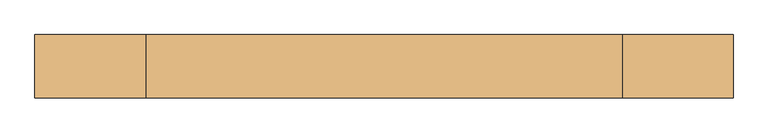
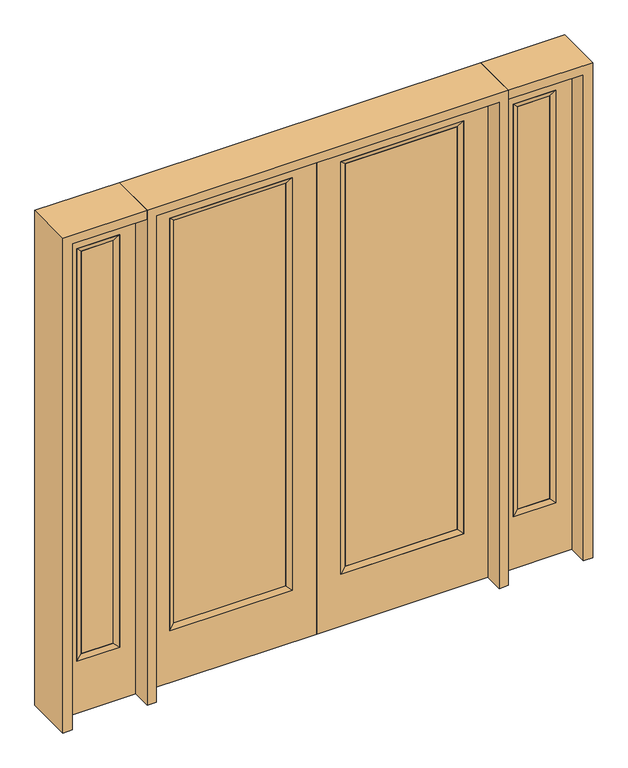
"""IFC4 building model written with IfcOpenShell, lengths in millimetres: door geometry."""

from ifc_helpers import new_model, si_unit, frame, origin, place, context, project, spatial, polyline, outline, extrude, faceted_brep, source, transform, mapped, element, save


def door_ba5f9594(model_context):
    return source(origin(), model_context, "Body", "SolidModel", [
        extrude(outline(polyline([(140.8176, -12.7039749), (140.8176, 14.2875), (671.9824, 14.2875), (671.9824, -12.7039749), (140.8176, -12.7039749)])), frame((0.0, 0.0, 285.75), z_axis=(0.0, 0.0, 1.0), x_axis=(1.0, 0.0, 0.0)), (0.0, 0.0, 1.0), 2019.3),
        faceted_brep([(140.8176, 14.2875, 2305.05), (140.8176, 14.2875, 285.75), (115.4176, 22.225, 260.35), (115.4176, 22.225, 2330.45), (115.4176, -22.225, 260.35), (115.4176, -22.225, 2330.45), (671.9824, 14.2875, 285.75), (697.3824, 22.225, 260.35), (140.8176, -12.7039749, 2305.05), (140.8176, -12.7039749, 285.75), (671.9824, -12.7039749, 285.75), (697.3824, -22.225, 260.35), (671.9824, 14.2875, 2305.05), (697.3824, 22.225, 2330.45), (671.9824, -12.7039749, 2305.05), (697.3824, -22.225, 2330.45)], [[[0, 1, 2, 3]], [[3, 2, 4, 5]], [[1, 6, 7, 2]], [[8, 9, 1, 0]], [[9, 10, 6, 1]], [[5, 4, 9, 8]], [[4, 11, 10, 9]], [[2, 7, 11, 4]], [[6, 12, 13, 7]], [[10, 14, 12, 6]], [[11, 15, 14, 10]], [[7, 13, 15, 11]], [[12, 0, 3, 13]], [[14, 8, 0, 12]], [[15, 5, 8, 14]], [[13, 3, 5, 15]]]),
        extrude(outline(polyline([(0.0, 812.8), (2438.4, 812.8), (2438.4, 0.0), (0.0, 0.0), (0.0, 812.8)]), holes=[polyline([(260.35, 697.3824), (260.35, 115.4176), (2330.45, 115.4176), (2330.45, 697.3824), (260.35, 697.3824)])]), frame((0.0, -22.225, 0.0), z_axis=(0.0, 1.0, 0.0), x_axis=(0.0, 0.0, 1.0)), (0.0, 0.0, 1.0), 44.45),
        extrude(outline(polyline([(-140.8176, -12.7039749), (-671.9824, -12.7039749), (-671.9824, 14.2875), (-140.8176, 14.2875), (-140.8176, -12.7039749)])), frame((0.0, 0.0, 285.75), z_axis=(0.0, 0.0, 1.0), x_axis=(1.0, 0.0, 0.0)), (0.0, 0.0, 1.0), 2019.3),
        faceted_brep([(-140.8176, 14.2875, 2305.05), (-115.4176, 22.225, 2330.45), (-115.4176, 22.225, 260.35), (-140.8176, 14.2875, 285.75), (-115.4176, -22.225, 2330.45), (-115.4176, -22.225, 260.35), (-697.3824, 22.225, 260.35), (-671.9824, 14.2875, 285.75), (-140.8176, -12.7039749, 2305.05), (-140.8176, -12.7039749, 285.75), (-671.9824, -12.7039749, 285.75), (-697.3824, -22.225, 260.35), (-697.3824, 22.225, 2330.45), (-671.9824, 14.2875, 2305.05), (-671.9824, -12.7039749, 2305.05), (-697.3824, -22.225, 2330.45)], [[[0, 1, 2, 3]], [[1, 4, 5, 2]], [[3, 2, 6, 7]], [[8, 0, 3, 9]], [[9, 3, 7, 10]], [[4, 8, 9, 5]], [[5, 9, 10, 11]], [[2, 5, 11, 6]], [[7, 6, 12, 13]], [[10, 7, 13, 14]], [[11, 10, 14, 15]], [[6, 11, 15, 12]], [[13, 12, 1, 0]], [[14, 13, 0, 8]], [[15, 14, 8, 4]], [[12, 15, 4, 1]]]),
        extrude(outline(polyline([(0.0, -812.8), (0.0, 0.0), (2438.4, 0.0), (2438.4, -812.8), (0.0, -812.8)]), holes=[polyline([(260.35, -697.3824), (2330.45, -697.3824), (2330.45, -115.4176), (260.35, -115.4176), (260.35, -697.3824)])]), frame((0.0, -22.225, 0.0), z_axis=(0.0, 1.0, 0.0), x_axis=(0.0, 0.0, 1.0)), (0.0, 0.0, 1.0), 44.45),
        faceted_brep([(933.45, 20.6375, 2330.45), (933.45, 20.6375, 260.35), (933.45, -20.6375, 260.35), (933.45, -20.6375, 2330.45), (958.85, -12.7, 285.75), (958.85, -12.7, 2305.05), (1136.65, 20.6375, 260.35), (1136.65, -20.6375, 260.35), (958.85, 12.7, 2305.05), (958.85, 12.7, 285.75), (1111.25, 12.7, 285.75), (1111.25, -12.7, 285.75), (1136.65, 20.6375, 2330.45), (1136.65, -20.6375, 2330.45), (1111.25, 12.7, 2305.05), (1111.25, -12.7, 2305.05)], [[[0, 1, 2, 3]], [[3, 2, 4, 5]], [[1, 6, 7, 2]], [[8, 9, 1, 0]], [[9, 10, 6, 1]], [[5, 4, 9, 8]], [[4, 11, 10, 9]], [[2, 7, 11, 4]], [[6, 12, 13, 7]], [[10, 14, 12, 6]], [[11, 15, 14, 10]], [[7, 13, 15, 11]], [[12, 0, 3, 13]], [[14, 8, 0, 12]], [[15, 5, 8, 14]], [[13, 3, 5, 15]]]),
        extrude(outline(polyline([(0.0, 1212.85), (2438.4, 1212.85), (2438.4, 857.25), (0.0, 857.25), (0.0, 1212.85)]), holes=[polyline([(2330.45, 933.45), (2330.45, 1136.65), (260.35, 1136.65), (260.35, 933.45), (2330.45, 933.45)])]), frame((0.0, -20.6375, 0.0), z_axis=(0.0, 1.0, 0.0), x_axis=(0.0, 0.0, 1.0)), (0.0, 0.0, 1.0), 41.275),
        extrude(outline(polyline([(958.85, -12.7), (958.85, 12.7), (1111.25, 12.7), (1111.25, -12.7), (958.85, -12.7)])), frame((0.0, 0.0, 285.75), z_axis=(0.0, 0.0, 1.0), x_axis=(1.0, 0.0, 0.0)), (0.0, 0.0, 1.0), 2019.3),
        faceted_brep([(-933.45, 20.6375, 2330.45), (-933.45, -20.6375, 2330.45), (-933.45, -20.6375, 260.35), (-933.45, 20.6375, 260.35), (-958.85, -12.7, 2305.05), (-958.85, -12.7, 285.75), (-1136.65, -20.6375, 260.35), (-1136.65, 20.6375, 260.35), (-958.85, 12.7, 2305.05), (-958.85, 12.7, 285.75), (-1111.25, 12.7, 285.75), (-1111.25, -12.7, 285.75), (-1136.65, -20.6375, 2330.45), (-1136.65, 20.6375, 2330.45), (-1111.25, 12.7, 2305.05), (-1111.25, -12.7, 2305.05)], [[[0, 1, 2, 3]], [[1, 4, 5, 2]], [[3, 2, 6, 7]], [[8, 0, 3, 9]], [[9, 3, 7, 10]], [[4, 8, 9, 5]], [[5, 9, 10, 11]], [[2, 5, 11, 6]], [[7, 6, 12, 13]], [[10, 7, 13, 14]], [[11, 10, 14, 15]], [[6, 11, 15, 12]], [[13, 12, 1, 0]], [[14, 13, 0, 8]], [[15, 14, 8, 4]], [[12, 15, 4, 1]]]),
        extrude(outline(polyline([(0.0, -1212.85), (0.0, -857.25), (2438.4, -857.25), (2438.4, -1212.85), (0.0, -1212.85)]), holes=[polyline([(2330.45, -933.45), (260.35, -933.45), (260.35, -1136.65), (2330.45, -1136.65), (2330.45, -933.45)])]), frame((0.0, -20.6375, 0.0), z_axis=(0.0, 1.0, 0.0), x_axis=(0.0, 0.0, 1.0)), (0.0, 0.0, 1.0), 41.275),
        extrude(outline(polyline([(-958.85, -12.7), (-1111.25, -12.7), (-1111.25, 12.7), (-958.85, 12.7), (-958.85, -12.7)])), frame((0.0, 0.0, 285.75), z_axis=(0.0, 0.0, 1.0), x_axis=(1.0, 0.0, 0.0)), (0.0, 0.0, 1.0), 2019.3),
        extrude(outline(polyline([(2438.4, -857.25), (2482.85, -857.25), (2482.85, -1257.3), (0.0, -1257.3), (0.0, -1212.85), (2438.4, -1212.85), (2438.4, -857.25)])), frame((0.0, -114.3, 0.0), z_axis=(0.0, 1.0, 0.0), x_axis=(0.0, 0.0, 1.0)), (0.0, 0.0, 1.0), 228.6),
        extrude(outline(polyline([(2482.85, -857.25), (0.0, -857.25), (0.0, -812.8), (2438.4, -812.8), (2438.4, 812.8), (0.0, 812.8), (0.0, 857.25), (2482.85, 857.25), (2482.85, -857.25)])), frame((0.0, -114.3, 0.0), z_axis=(0.0, 1.0, 0.0), x_axis=(0.0, 0.0, 1.0)), (0.0, 0.0, 1.0), 228.6),
        extrude(outline(polyline([(0.0, 1212.85), (0.0, 1257.3), (2482.85, 1257.3), (2482.85, 857.25), (2438.4, 857.25), (2438.4, 1212.85), (0.0, 1212.85)])), frame((0.0, -114.3, 0.0), z_axis=(0.0, 1.0, 0.0), x_axis=(0.0, 0.0, 1.0)), (0.0, 0.0, 1.0), 228.6),
    ])


if __name__ == "__main__":
    model = new_model("IFC4")
    model_context = context("Model", 3, world=origin())
    ifc_project = project(units=[si_unit("LENGTHUNIT", "METRE", prefix="MILLI")], contexts=[model_context])
    site = spatial("IfcSite", under=ifc_project)
    building = spatial("IfcBuilding", under=site)
    placement = place(None, origin())
    door_shape = door_ba5f9594(model_context)
    element("IfcDoor", 1, at=placement, inside=building, context=model_context, shape_type="MappedRepresentation", body=[
        mapped(door_shape, transform((0.0, 0.0, 0.0), x_axis=(1.0, 0.0, 0.0), y_axis=(0.0, 1.0, 0.0), z_axis=(0.0, 0.0, 1.0))),
    ])
    save(model, "model.ifc")
